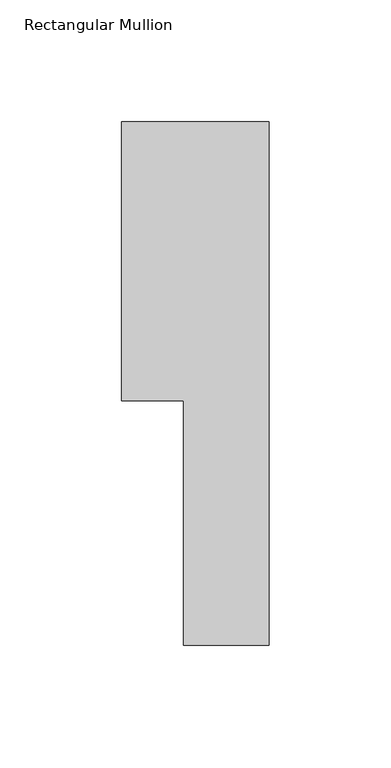
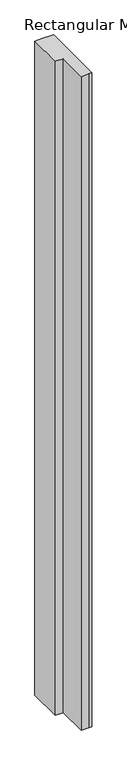
"""IFC4 building model written with IfcOpenShell, lengths in millimetres: member geometry, Rectangular Mullion."""

import ifcopenshell
import ifcopenshell.guid

model = None  # the IFC model being written
_history = None  # IfcOwnerHistory: only IFC2X3 demands one
_inside = {}  # id of a spatial element -> (the spatial element, [elements in it])
_under = {}  # id of a project, library or spatial element -> (it, [spatial elements below it])
_declared = {}  # id of a project -> (the project, [libraries it declares])
_typed = {}  # id of a type object -> (the type object, [elements of that type])
_made_of = {}  # id of a material, layer set ... -> (it, [elements and type objects made of it])


def new_model(schema):
    """Start an empty IFC model of exactly this schema.

    Asked for "IFC4X3", IfcOpenShell would pick the latest addendum, in which some entities
    have other attributes; the version numbers below select the first issue.
    IFC2X3 requires an IfcOwnerHistory on every rooted entity: one is made here for all.
    """
    global model, _history
    if schema == "IFC4X3":
        model = ifcopenshell.file(schema_version=(4, 3, 0, 0))
    else:
        model = ifcopenshell.file(schema=schema)
    _inside.clear()
    _under.clear()
    _declared.clear()
    _typed.clear()
    _made_of.clear()
    _history = None
    if model.schema == "IFC2X3":
        org = make("IfcOrganization", Name="unknown")
        user = make(
            "IfcPersonAndOrganization",
            ThePerson=make("IfcPerson", FamilyName="unknown"),
            TheOrganization=org,
        )
        app = make(
            "IfcApplication",
            ApplicationDeveloper=org,
            Version="unknown",
            ApplicationFullName="unknown",
            ApplicationIdentifier="unknown",
        )
        _history = make(
            "IfcOwnerHistory",
            OwningUser=user,
            OwningApplication=app,
            ChangeAction="ADDED",
            CreationDate=0,
        )
    return model


def make(cls, **values):
    """One entity of the class cls with the attributes given. An attribute that is None is left unset."""
    return model.create_entity(
        cls, **{name: value for name, value in values.items() if value is not None}
    )


def rooted(cls, **values):
    """An entity with a GlobalId (a new one), such as an element, a storey or a relation."""
    return make(cls, GlobalId=ifcopenshell.guid.new(), OwnerHistory=_history, **values)


def si_unit(unit_type, name, prefix=None):
    """IfcSIUnit, for example si_unit("LENGTHUNIT", "METRE", prefix="MILLI")."""
    return make("IfcSIUnit", UnitType=unit_type, Prefix=prefix, Name=name)


def assignment(units):
    """IfcUnitAssignment: the units of a project."""
    return None if units is None else make("IfcUnitAssignment", Units=units)


def point(xyz):
    """IfcCartesianPoint."""
    return None if xyz is None else make("IfcCartesianPoint", Coordinates=xyz)


def direction(xyz):
    """IfcDirection."""
    return None if xyz is None else make("IfcDirection", DirectionRatios=xyz)


def frame(location, z_axis=None, x_axis=None):
    """IfcAxis2Placement3D, a coordinate frame: its origin and axes. An axis left out is left unset."""
    return make(
        "IfcAxis2Placement3D",
        Location=point(location),
        Axis=direction(z_axis),
        RefDirection=direction(x_axis),
    )


def origin():
    """The frame at (0, 0, 0) with its axes left unset."""
    return frame((0.0, 0.0, 0.0))


def place(relative_to, where):
    """IfcLocalPlacement: puts the frame where relative to a parent placement (None: the world)."""
    return make(
        "IfcLocalPlacement", PlacementRelTo=relative_to, RelativePlacement=where
    )


def context(
    kind, dimensions, precision=None, world=None, true_north=None, identifier=None
):
    """IfcGeometricRepresentationContext, for example the 3D "Model" context."""
    return make(
        "IfcGeometricRepresentationContext",
        ContextIdentifier=identifier,
        ContextType=kind,
        CoordinateSpaceDimension=dimensions,
        Precision=precision,
        WorldCoordinateSystem=world,
        TrueNorth=true_north,
    )


def project(units=None, contexts=None):
    """IfcProject with its units and contexts."""
    return rooted(
        "IfcProject",
        Name="project",
        RepresentationContexts=contexts,
        UnitsInContext=assignment(units),
    )


def spatial(cls, under=None, at=None, **own):
    """A site, building, storey or space (cls), placed at a placement, below another one or the project."""
    s = rooted(cls, ObjectPlacement=at, **own)
    if under is not None:
        _under.setdefault(under.id(), (under, []))[1].append(s)
    return s


def polyline(points):
    """IfcPolyline through the points."""
    return make("IfcPolyline", Points=[point(p) for p in points])


def outline(outer, holes=None, kind="AREA"):
    """IfcArbitraryClosedProfileDef: a profile drawn as a closed curve; with holes, ...WithVoids."""
    if holes is None:
        return make("IfcArbitraryClosedProfileDef", ProfileType=kind, OuterCurve=outer)
    return make(
        "IfcArbitraryProfileDefWithVoids",
        ProfileType=kind,
        OuterCurve=outer,
        InnerCurves=holes,
    )


def extrude(swept, where, along, depth):
    """IfcExtrudedAreaSolid: the profile swept, set in the frame where, extruded along a direction by depth."""
    return make(
        "IfcExtrudedAreaSolid",
        SweptArea=swept,
        Position=where,
        ExtrudedDirection=direction(along),
        Depth=depth,
    )


def shape(context_of_items, identifier, shape_type, items):
    """IfcShapeRepresentation: the items that make up one representation, for example the "Body"."""
    return make(
        "IfcShapeRepresentation",
        ContextOfItems=context_of_items,
        RepresentationIdentifier=identifier,
        RepresentationType=shape_type,
        Items=items,
    )


def source(mapping_origin, context_of_items, identifier, shape_type, items):
    """IfcRepresentationMap: a shape defined once, which mapped items show again and again."""
    return make(
        "IfcRepresentationMap",
        MappingOrigin=mapping_origin,
        MappedRepresentation=shape(context_of_items, identifier, shape_type, items),
    )


def transform(
    local_origin,
    x_axis=None,
    y_axis=None,
    z_axis=None,
    scale=None,
    scale2=None,
    scale3=None,
    uniform=True,
):
    """IfcCartesianTransformationOperator3D, or its non-uniform kind. x_axis, y_axis, z_axis: its Axis1, 2, 3."""
    if uniform:
        return make(
            "IfcCartesianTransformationOperator3D",
            Axis1=direction(x_axis),
            Axis2=direction(y_axis),
            LocalOrigin=point(local_origin),
            Scale=scale,
            Axis3=direction(z_axis),
        )
    return make(
        "IfcCartesianTransformationOperator3DnonUniform",
        Axis1=direction(x_axis),
        Axis2=direction(y_axis),
        LocalOrigin=point(local_origin),
        Scale=scale,
        Axis3=direction(z_axis),
        Scale2=scale2,
        Scale3=scale3,
    )


def mapped(mapping_source, mapping_target):
    """IfcMappedItem: shows the shape of a source again, moved by a transform."""
    return make(
        "IfcMappedItem", MappingSource=mapping_source, MappingTarget=mapping_target
    )


def made_of(thing, what):
    """Note that an element or type object is made of a material, layer set ...; save() writes the relation."""
    if what is not None:
        _made_of.setdefault(what.id(), (what, []))[1].append(thing)
    return thing


def element(
    cls,
    number,
    at=None,
    inside=None,
    cuts=None,
    type_object=None,
    material=None,
    context=None,
    identifier="Body",
    shape_type=None,
    held_by="IfcProductDefinitionShape",
    body=None,
    shapes=None,
    **own,
):
    """One element of the class cls, such as IfcWall. Its Tag is "e" and its number.

    at: its placement. inside: the storey or other place that contains it. cuts: it is an
    opening in that element (IfcRelVoidsElement). A single representation is given by context,
    identifier, shape_type and body (its items); several are given by shapes. held_by: the class
    of the entity that holds the representations. save() writes the other relations.
    """
    e = rooted(cls, Tag="e%d" % number, ObjectPlacement=at, **own)
    if body is not None:
        shapes = [shape(context, identifier, shape_type, body)]
    if shapes is not None:
        e.Representation = make(held_by, Representations=shapes)
    if inside is not None:
        _inside.setdefault(inside.id(), (inside, []))[1].append(e)
    if cuts is not None:
        rooted(
            "IfcRelVoidsElement", RelatingBuildingElement=cuts, RelatedOpeningElement=e
        )
    if type_object is not None:
        _typed.setdefault(type_object.id(), (type_object, []))[1].append(e)
    return made_of(e, material)


def aggregate(whole, parts):
    """IfcRelAggregates: a whole, such as a stair, and the parts it consists of."""
    return rooted("IfcRelAggregates", RelatingObject=whole, RelatedObjects=parts)


def save(model, path):
    """Write the relations noted so far, then the file.

    IfcRelAggregates (storeys below a building ...), IfcRelContainedInSpatialStructure (elements
    in a storey), IfcRelDefinesByType, IfcRelAssociatesMaterial and IfcRelDeclares: one each for
    every whole, place, type object, material and project.
    """
    for whole, parts in _under.values():
        aggregate(whole, parts)
    for where, things in _inside.values():
        rooted(
            "IfcRelContainedInSpatialStructure",
            RelatedElements=things,
            RelatingStructure=where,
        )
    for kind, things in _typed.values():
        rooted("IfcRelDefinesByType", RelatedObjects=things, RelatingType=kind)
    for what, things in _made_of.values():
        rooted("IfcRelAssociatesMaterial", RelatedObjects=things, RelatingMaterial=what)
    for by, libraries in _declared.values():
        rooted("IfcRelDeclares", RelatingContext=by, RelatedDefinitions=libraries)
    model.write(path)


def rectangular_mullion_a29effe8(model_context):
    return source(origin(), model_context, "Body", "SweptSolid", [
        extrude(outline(polyline([(-9.525, 0.03175), (0.0, 0.03175), (0.0, -214.34425), (-9.525, -214.34425), (-34.925, -214.34425), (-34.925, -114.2682499), (-60.325, -114.2682499), (-60.325, 0.03175), (-34.925, 0.03175), (-9.525, 0.03175)])), frame((0.0, 0.0, -2235.2), z_axis=(0.0, 0.0, 1.0), x_axis=(1.0, 0.0, 0.0)), (0.0, 0.0, 1.0), 2235.2),
    ])


if __name__ == "__main__":
    model = new_model("IFC4")
    model_context = context("Model", 3, world=origin())
    ifc_project = project(units=[si_unit("LENGTHUNIT", "METRE", prefix="MILLI")], contexts=[model_context])
    site = spatial("IfcSite", under=ifc_project)
    building = spatial("IfcBuilding", under=site)
    placement = place(None, origin())
    rectangular_mullion_shape = rectangular_mullion_a29effe8(model_context)
    element("IfcMember", 1, ObjectType="Rectangular Mullion", at=placement, inside=building, context=model_context, shape_type="MappedRepresentation", body=[
        mapped(rectangular_mullion_shape, transform((0.0, 0.0, 0.0), x_axis=(1.0, 0.0, 0.0), y_axis=(0.0, 1.0, 0.0), z_axis=(0.0, 0.0, 1.0))),
    ])
    save(model, "model.ifc")
